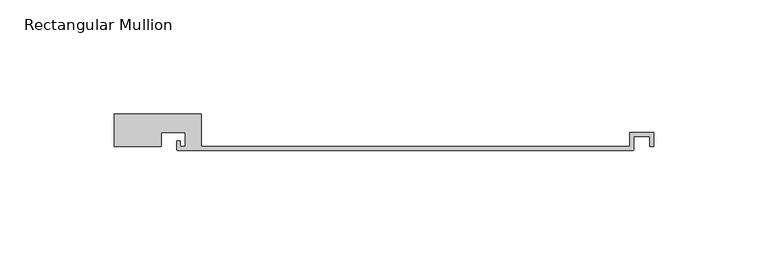
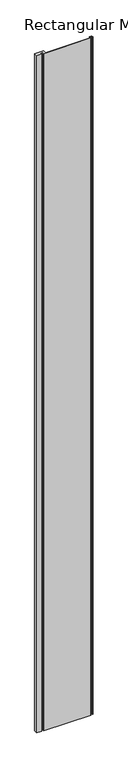
"""IFC4 building model written with IfcOpenShell, lengths in millimetres: member geometry, Rectangular Mullion."""

import ifcopenshell
import ifcopenshell.guid

model = None  # the IFC model being written
_history = None  # IfcOwnerHistory: only IFC2X3 demands one
_inside = {}  # id of a spatial element -> (the spatial element, [elements in it])
_under = {}  # id of a project, library or spatial element -> (it, [spatial elements below it])
_declared = {}  # id of a project -> (the project, [libraries it declares])
_typed = {}  # id of a type object -> (the type object, [elements of that type])
_made_of = {}  # id of a material, layer set ... -> (it, [elements and type objects made of it])


def new_model(schema):
    """Start an empty IFC model of exactly this schema.

    Asked for "IFC4X3", IfcOpenShell would pick the latest addendum, in which some entities
    have other attributes; the version numbers below select the first issue.
    IFC2X3 requires an IfcOwnerHistory on every rooted entity: one is made here for all.
    """
    global model, _history
    if schema == "IFC4X3":
        model = ifcopenshell.file(schema_version=(4, 3, 0, 0))
    else:
        model = ifcopenshell.file(schema=schema)
    _inside.clear()
    _under.clear()
    _declared.clear()
    _typed.clear()
    _made_of.clear()
    _history = None
    if model.schema == "IFC2X3":
        org = make("IfcOrganization", Name="unknown")
        user = make(
            "IfcPersonAndOrganization",
            ThePerson=make("IfcPerson", FamilyName="unknown"),
            TheOrganization=org,
        )
        app = make(
            "IfcApplication",
            ApplicationDeveloper=org,
            Version="unknown",
            ApplicationFullName="unknown",
            ApplicationIdentifier="unknown",
        )
        _history = make(
            "IfcOwnerHistory",
            OwningUser=user,
            OwningApplication=app,
            ChangeAction="ADDED",
            CreationDate=0,
        )
    return model


def make(cls, **values):
    """One entity of the class cls with the attributes given. An attribute that is None is left unset."""
    return model.create_entity(
        cls, **{name: value for name, value in values.items() if value is not None}
    )


def rooted(cls, **values):
    """An entity with a GlobalId (a new one), such as an element, a storey or a relation."""
    return make(cls, GlobalId=ifcopenshell.guid.new(), OwnerHistory=_history, **values)


def si_unit(unit_type, name, prefix=None):
    """IfcSIUnit, for example si_unit("LENGTHUNIT", "METRE", prefix="MILLI")."""
    return make("IfcSIUnit", UnitType=unit_type, Prefix=prefix, Name=name)


def assignment(units):
    """IfcUnitAssignment: the units of a project."""
    return None if units is None else make("IfcUnitAssignment", Units=units)


def point(xyz):
    """IfcCartesianPoint."""
    return None if xyz is None else make("IfcCartesianPoint", Coordinates=xyz)


def direction(xyz):
    """IfcDirection."""
    return None if xyz is None else make("IfcDirection", DirectionRatios=xyz)


def frame(location, z_axis=None, x_axis=None):
    """IfcAxis2Placement3D, a coordinate frame: its origin and axes. An axis left out is left unset."""
    return make(
        "IfcAxis2Placement3D",
        Location=point(location),
        Axis=direction(z_axis),
        RefDirection=direction(x_axis),
    )


def frame_2d(location, x_axis=None):
    """IfcAxis2Placement2D, a coordinate frame in the plane: its origin and x axis."""
    return make(
        "IfcAxis2Placement2D", Location=point(location), RefDirection=direction(x_axis)
    )


def origin():
    """The frame at (0, 0, 0) with its axes left unset."""
    return frame((0.0, 0.0, 0.0))


def place(relative_to, where):
    """IfcLocalPlacement: puts the frame where relative to a parent placement (None: the world)."""
    return make(
        "IfcLocalPlacement", PlacementRelTo=relative_to, RelativePlacement=where
    )


def context(
    kind, dimensions, precision=None, world=None, true_north=None, identifier=None
):
    """IfcGeometricRepresentationContext, for example the 3D "Model" context."""
    return make(
        "IfcGeometricRepresentationContext",
        ContextIdentifier=identifier,
        ContextType=kind,
        CoordinateSpaceDimension=dimensions,
        Precision=precision,
        WorldCoordinateSystem=world,
        TrueNorth=true_north,
    )


def project(units=None, contexts=None):
    """IfcProject with its units and contexts."""
    return rooted(
        "IfcProject",
        Name="project",
        RepresentationContexts=contexts,
        UnitsInContext=assignment(units),
    )


def spatial(cls, under=None, at=None, **own):
    """A site, building, storey or space (cls), placed at a placement, below another one or the project."""
    s = rooted(cls, ObjectPlacement=at, **own)
    if under is not None:
        _under.setdefault(under.id(), (under, []))[1].append(s)
    return s


def polyline(points):
    """IfcPolyline through the points."""
    return make("IfcPolyline", Points=[point(p) for p in points])


def circle_curve(where, radius):
    """IfcCircle in the frame where."""
    return make("IfcCircle", Position=where, Radius=radius)


def trimmed(basis, trim1, trim2, sense, master):
    """IfcTrimmedCurve: the piece of a basis curve between two trims."""
    return make(
        "IfcTrimmedCurve",
        BasisCurve=basis,
        Trim1=trim1,
        Trim2=trim2,
        SenseAgreement=sense,
        MasterRepresentation=master,
    )


def segment(curve, same_sense, transition):
    """IfcCompositeCurveSegment."""
    return make(
        "IfcCompositeCurveSegment",
        Transition=transition,
        SameSense=same_sense,
        ParentCurve=curve,
    )


def composite_curve(segments, self_intersect=None):
    """IfcCompositeCurve: segments joined end to end."""
    return make("IfcCompositeCurve", Segments=segments, SelfIntersect=self_intersect)


def outline(outer, holes=None, kind="AREA"):
    """IfcArbitraryClosedProfileDef: a profile drawn as a closed curve; with holes, ...WithVoids."""
    if holes is None:
        return make("IfcArbitraryClosedProfileDef", ProfileType=kind, OuterCurve=outer)
    return make(
        "IfcArbitraryProfileDefWithVoids",
        ProfileType=kind,
        OuterCurve=outer,
        InnerCurves=holes,
    )


def extrude(swept, where, along, depth):
    """IfcExtrudedAreaSolid: the profile swept, set in the frame where, extruded along a direction by depth."""
    return make(
        "IfcExtrudedAreaSolid",
        SweptArea=swept,
        Position=where,
        ExtrudedDirection=direction(along),
        Depth=depth,
    )


def shape(context_of_items, identifier, shape_type, items):
    """IfcShapeRepresentation: the items that make up one representation, for example the "Body"."""
    return make(
        "IfcShapeRepresentation",
        ContextOfItems=context_of_items,
        RepresentationIdentifier=identifier,
        RepresentationType=shape_type,
        Items=items,
    )


def source(mapping_origin, context_of_items, identifier, shape_type, items):
    """IfcRepresentationMap: a shape defined once, which mapped items show again and again."""
    return make(
        "IfcRepresentationMap",
        MappingOrigin=mapping_origin,
        MappedRepresentation=shape(context_of_items, identifier, shape_type, items),
    )


def transform(
    local_origin,
    x_axis=None,
    y_axis=None,
    z_axis=None,
    scale=None,
    scale2=None,
    scale3=None,
    uniform=True,
):
    """IfcCartesianTransformationOperator3D, or its non-uniform kind. x_axis, y_axis, z_axis: its Axis1, 2, 3."""
    if uniform:
        return make(
            "IfcCartesianTransformationOperator3D",
            Axis1=direction(x_axis),
            Axis2=direction(y_axis),
            LocalOrigin=point(local_origin),
            Scale=scale,
            Axis3=direction(z_axis),
        )
    return make(
        "IfcCartesianTransformationOperator3DnonUniform",
        Axis1=direction(x_axis),
        Axis2=direction(y_axis),
        LocalOrigin=point(local_origin),
        Scale=scale,
        Axis3=direction(z_axis),
        Scale2=scale2,
        Scale3=scale3,
    )


def mapped(mapping_source, mapping_target):
    """IfcMappedItem: shows the shape of a source again, moved by a transform."""
    return make(
        "IfcMappedItem", MappingSource=mapping_source, MappingTarget=mapping_target
    )


def made_of(thing, what):
    """Note that an element or type object is made of a material, layer set ...; save() writes the relation."""
    if what is not None:
        _made_of.setdefault(what.id(), (what, []))[1].append(thing)
    return thing


def element(
    cls,
    number,
    at=None,
    inside=None,
    cuts=None,
    type_object=None,
    material=None,
    context=None,
    identifier="Body",
    shape_type=None,
    held_by="IfcProductDefinitionShape",
    body=None,
    shapes=None,
    **own,
):
    """One element of the class cls, such as IfcWall. Its Tag is "e" and its number.

    at: its placement. inside: the storey or other place that contains it. cuts: it is an
    opening in that element (IfcRelVoidsElement). A single representation is given by context,
    identifier, shape_type and body (its items); several are given by shapes. held_by: the class
    of the entity that holds the representations. save() writes the other relations.
    """
    e = rooted(cls, Tag="e%d" % number, ObjectPlacement=at, **own)
    if body is not None:
        shapes = [shape(context, identifier, shape_type, body)]
    if shapes is not None:
        e.Representation = make(held_by, Representations=shapes)
    if inside is not None:
        _inside.setdefault(inside.id(), (inside, []))[1].append(e)
    if cuts is not None:
        rooted(
            "IfcRelVoidsElement", RelatingBuildingElement=cuts, RelatedOpeningElement=e
        )
    if type_object is not None:
        _typed.setdefault(type_object.id(), (type_object, []))[1].append(e)
    return made_of(e, material)


def aggregate(whole, parts):
    """IfcRelAggregates: a whole, such as a stair, and the parts it consists of."""
    return rooted("IfcRelAggregates", RelatingObject=whole, RelatedObjects=parts)


def save(model, path):
    """Write the relations noted so far, then the file.

    IfcRelAggregates (storeys below a building ...), IfcRelContainedInSpatialStructure (elements
    in a storey), IfcRelDefinesByType, IfcRelAssociatesMaterial and IfcRelDeclares: one each for
    every whole, place, type object, material and project.
    """
    for whole, parts in _under.values():
        aggregate(whole, parts)
    for where, things in _inside.values():
        rooted(
            "IfcRelContainedInSpatialStructure",
            RelatedElements=things,
            RelatingStructure=where,
        )
    for kind, things in _typed.values():
        rooted("IfcRelDefinesByType", RelatedObjects=things, RelatingType=kind)
    for what, things in _made_of.values():
        rooted("IfcRelAssociatesMaterial", RelatedObjects=things, RelatingMaterial=what)
    for by, libraries in _declared.values():
        rooted("IfcRelDeclares", RelatingContext=by, RelatedDefinitions=libraries)
    model.write(path)


def rectangular_mullion_22134267(model_context):
    return source(origin(), model_context, "Body", "SweptSolid", [
        extrude(outline(composite_curve([segment(polyline([(-190.0, -14.2), (-190.0, 0.0), (-152.0, 0.0), (-152.0, -14.2), (35.5, -14.2), (35.5, -8.0), (46.1, -8.0), (46.1, -14.2), (44.3, -14.2), (44.3, -9.8), (37.3, -9.8), (37.3, -15.5)]), True, "CONTINUOUS"), segment(trimmed(circle_curve(frame_2d((36.8, -15.5)), 0.5), [point((37.3, -15.5))], [point((36.8, -16.0))], False, "CARTESIAN"), True, "CONTINUOUS"), segment(polyline([(36.8, -16.0), (-162.2, -16.0)]), True, "CONTINUOUS"), segment(trimmed(circle_curve(frame_2d((-162.2, -15.5)), 0.5), [point((-162.2, -16.0))], [point((-162.7, -15.5))], False, "CARTESIAN"), True, "CONTINUOUS"), segment(polyline([(-162.7, -15.5), (-162.7, -11.8), (-161.1, -11.8), (-161.1, -14.2), (-158.9, -14.2), (-158.9, -8.0), (-169.5, -8.0), (-169.5, -14.2), (-190.0, -14.2)]), True, "CONTINUOUS")], self_intersect=False)), frame((0.0, 0.0, -3000.0), z_axis=(0.0, 0.0, 1.0), x_axis=(1.0, 0.0, 0.0)), (0.0, 0.0, 1.0), 3000.0),
    ])


if __name__ == "__main__":
    model = new_model("IFC4")
    model_context = context("Model", 3, world=origin())
    ifc_project = project(units=[si_unit("LENGTHUNIT", "METRE", prefix="MILLI")], contexts=[model_context])
    site = spatial("IfcSite", under=ifc_project)
    building = spatial("IfcBuilding", under=site)
    placement = place(None, origin())
    rectangular_mullion_shape = rectangular_mullion_22134267(model_context)
    element("IfcMember", 1, ObjectType="Rectangular Mullion", at=placement, inside=building, context=model_context, shape_type="MappedRepresentation", body=[
        mapped(rectangular_mullion_shape, transform((0.0, 0.0, 0.0), x_axis=(1.0, 0.0, 0.0), y_axis=(0.0, 1.0, 0.0), z_axis=(0.0, 0.0, 1.0))),
    ])
    save(model, "model.ifc")
